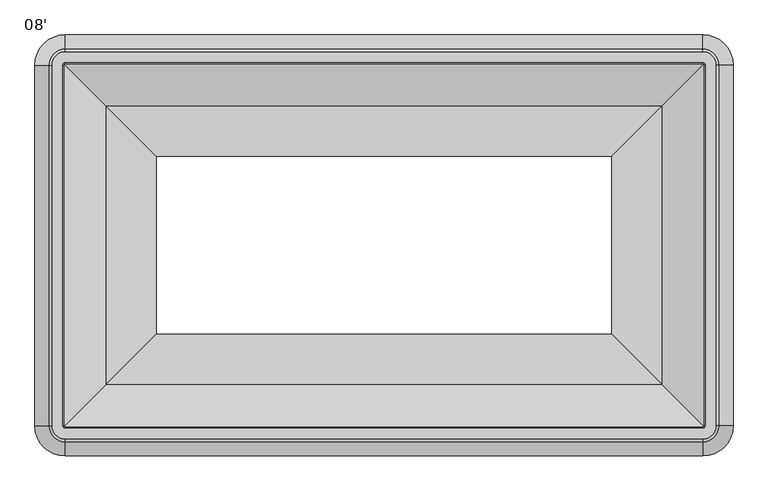
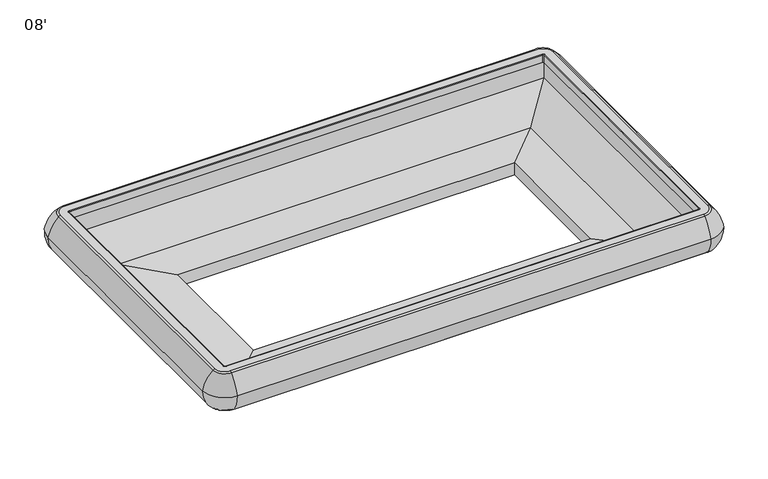
"""IFC4 building model written with IfcOpenShell, lengths in millimetres: proxy geometry, 08'."""

from ifc_helpers import new_model, si_unit, point, frame, origin, place, context, project, spatial, polyline, circle_curve, ellipse_curve, trimmed, faceted_brep, source, transform, mapped, element, save
from ifc_brep_helpers import plane_surface, cylinder_surface, revolved_surface, advanced_brep


def proxy_08_e74ba2d5(model_context):
    return source(origin(), model_context, "Body", "SolidModel", [
        advanced_brep(
        [(128.5372773, -2016.1117293, 594.7340526), (128.5372773, -1984.4852306, 504.5515988), (2554.3377227, -1984.4852306, 504.5515988), (2554.3377227, -2016.1117293, 594.7340526), (128.5372773, -1963.2278603, 687.1369709), (2554.3377227, -1963.2278603, 687.1369709), (128.5372773, -1952.4301981, 691.368246), (2554.3377227, -1952.4301981, 691.368246), (128.5372773, -1906.6873921, 649.6873876), (128.5372773, -1906.6873921, 688.1962924), (2554.3377227, -1906.6873921, 688.1962924), (2554.3377227, -1906.6873921, 649.6873876), (128.5372773, -1946.7201479, 529.929056), (128.5372773, -1946.7201479, 649.6873876), (2554.3377227, -1946.7201479, 649.6873876), (2554.3377227, -1946.7201479, 529.929056), (128.5372773, -1907.4969085, 502.405218), (2554.3377227, -1907.4969085, 502.405218), (128.5372773, -1979.7214149, 502.4019738), (2554.3377227, -1979.7214149, 502.4019738), (2669.0900979, -1901.3593541, 594.7340526), (2637.4635993, -1901.3593541, 504.5515988), (2616.2062289, -1901.3593541, 687.1369709), (2605.4085667, -1901.3593541, 691.368246), (2559.6657608, -1901.3593541, 649.6873876), (2559.6657608, -1901.3593541, 688.1962924), (2599.6985165, -1901.3593541, 529.929056), (2599.6985165, -1901.3593541, 649.6873876), (2560.4752772, -1901.3593541, 502.405218), (2632.6997836, -1901.3593541, 502.4019738), (2637.4635993, -529.6589086, 504.5515988), (2669.0900979, -529.6589086, 594.7340526), (2616.2062289, -529.6589086, 687.1369709), (2605.4085667, -529.6589086, 691.368246), (2559.6657608, -529.6589086, 688.1962924), (2559.6657608, -529.6589086, 649.6873876), (2599.6985165, -529.6589086, 649.6873876), (2599.6985165, -529.6589086, 529.929056), (2560.4752772, -529.6589086, 502.405218), (2632.6997836, -529.6589086, 502.4019738), (2554.3377227, -414.9065334, 594.7340526), (2554.3377227, -446.5330321, 504.5515988), (2554.3377227, -467.7904024, 687.1369709), (2554.3377227, -478.5880646, 691.368246), (2554.3377227, -524.3308706, 649.6873876), (2554.3377227, -524.3308706, 688.1962924), (2554.3377227, -484.2981148, 529.929056), (2554.3377227, -484.2981148, 649.6873876), (2554.3377227, -523.5213542, 502.405218), (2554.3377227, -451.2968477, 502.4019738), (128.5372773, -446.5330321, 504.5515988), (128.5372773, -414.9065334, 594.7340526), (128.5372773, -467.7904024, 687.1369709), (128.5372773, -478.5880646, 691.368246), (128.5372773, -524.3308706, 688.1962924), (128.5372773, -524.3308706, 649.6873876), (128.5372773, -484.2981148, 649.6873876), (128.5372773, -484.2981148, 529.929056), (128.5372773, -523.5213542, 502.405218), (128.5372773, -451.2968477, 502.4019738), (13.7849021, -529.6589086, 594.7340526), (45.4114007, -529.6589086, 504.5515988), (66.6687711, -529.6589086, 687.1369709), (77.4664333, -529.6589086, 691.368246), (123.2092392, -529.6589086, 649.6873876), (123.2092392, -529.6589086, 688.1962924), (83.1764835, -529.6589086, 529.929056), (83.1764835, -529.6589086, 649.6873876), (122.3997228, -529.6589086, 502.405218), (50.1752164, -529.6589086, 502.4019738), (45.4114007, -1901.3593541, 504.5515988), (13.7849021, -1901.3593541, 594.7340526), (66.6687711, -1901.3593541, 687.1369709), (77.4664333, -1901.3593541, 691.368246), (123.2092392, -1901.3593541, 688.1962924), (123.2092392, -1901.3593541, 649.6873876), (83.1764835, -1901.3593541, 649.6873876), (83.1764835, -1901.3593541, 529.929056), (122.3997228, -1901.3593541, 502.405218), (50.1752164, -1901.3593541, 502.4019738), (128.5372773, -1909.8593458, 691.368246), (120.0372856, -1901.3593541, 691.368246), (120.0372856, -529.6589086, 691.368246), (128.5372773, -521.1589169, 691.368246), (2554.3377227, -521.1589169, 691.368246), (2562.8377144, -529.6589086, 691.368246), (2562.8377144, -1901.3593541, 691.368246), (2554.3377227, -1909.8593458, 691.368246)],
        [
            (0, 1, circle_curve(frame((128.5372773, -1889.2571271, 588.5844274), z_axis=(1.0, 0.0, 0.0), x_axis=(0.0, 1.0, 0.0)), 127.0035747)),
            (1, 2),
            (2, 3, circle_curve(frame((2554.3377227, -1889.2571271, 588.5844274), z_axis=(-1.0, 0.0, 0.0), x_axis=(0.0, 1.0, 0.0)), 127.0035747)),
            (3, 0),
            (4, 0, circle_curve(frame((128.5372773, -1842.4146789, 556.6587336), z_axis=(1.0, 0.0, 0.0), x_axis=(0.0, 1.0, 0.0)), 177.8212451)),
            (3, 5, circle_curve(frame((2554.3377227, -1842.4146789, 556.6587336), z_axis=(-1.0, 0.0, 0.0), x_axis=(0.0, 1.0, 0.0)), 177.8212451)),
            (5, 4),
            (6, 4, circle_curve(frame((128.5372773, -1952.4301981, 675.4754956), z_axis=(1.0, 0.0, 0.0), x_axis=(0.0, 1.0, 0.0)), 15.8927504)),
            (5, 7, circle_curve(frame((2554.3377227, -1952.4301981, 675.4754956), z_axis=(-1.0, 0.0, 0.0), x_axis=(0.0, 1.0, 0.0)), 15.8927504)),
            (7, 6),
            (8, 9),
            (9, 10),
            (10, 11),
            (11, 8),
            (12, 13),
            (13, 14),
            (14, 15),
            (15, 12),
            (16, 12),
            (15, 17),
            (17, 16),
            (1, 18, circle_curve(frame((128.5372773, -1979.7214149, 508.7553674), z_axis=(1.0, 0.0, 0.0), x_axis=(0.0, 1.0, 0.0)), 6.3533936)),
            (18, 19),
            (19, 2, circle_curve(frame((2554.3377227, -1979.7214149, 508.7553674), z_axis=(-1.0, 0.0, 0.0), x_axis=(0.0, 1.0, 0.0)), 6.3533936)),
            (20, 3, circle_curve(frame((2554.3377227, -1901.3593541, 594.7340526), z_axis=(0.0, 0.0, -1.0), x_axis=(0.0, -1.0, 0.0)), 114.7523752)),
            (2, 21, circle_curve(frame((2554.3377227, -1901.3593541, 504.5515988), z_axis=(0.0, 0.0, 1.0), x_axis=(0.0, -1.0, 0.0)), 83.1258766)),
            (21, 20, circle_curve(frame((2542.2354958, -1901.3593541, 588.5844274), z_axis=(0.0, -1.0, 0.0), x_axis=(-1.0, 0.0, 0.0)), 127.0035747)),
            (22, 5, circle_curve(frame((2554.3377227, -1901.3593541, 687.1369709), z_axis=(0.0, 0.0, -1.0), x_axis=(0.0, -1.0, 0.0)), 61.8685062)),
            (20, 22, circle_curve(frame((2495.3930476, -1901.3593541, 556.6587336), z_axis=(0.0, -1.0, 0.0), x_axis=(-1.0, 0.0, 0.0)), 177.8212451)),
            (23, 7, circle_curve(frame((2554.3377227, -1901.3593541, 691.368246), z_axis=(0.0, 0.0, -1.0), x_axis=(0.0, -1.0, 0.0)), 51.070844)),
            (22, 23, circle_curve(frame((2605.4085667, -1901.3593541, 675.4754956), z_axis=(0.0, -1.0, 0.0), x_axis=(-1.0, 0.0, 0.0)), 15.8927504)),
            (24, 11, circle_curve(frame((2554.3377227, -1901.3593541, 649.6873876), z_axis=(0.0, 0.0, -1.0), x_axis=(0.0, -1.0, 0.0)), 5.3280381)),
            (10, 25, circle_curve(frame((2554.3377227, -1901.3593541, 688.1962924), z_axis=(0.0, 0.0, 1.0), x_axis=(0.0, -1.0, 0.0)), 5.3280381)),
            (25, 24),
            (26, 15, circle_curve(frame((2554.3377227, -1901.3593541, 529.929056), z_axis=(0.0, 0.0, -1.0), x_axis=(0.0, -1.0, 0.0)), 45.3607938)),
            (14, 27, circle_curve(frame((2554.3377227, -1901.3593541, 649.6873876), z_axis=(0.0, 0.0, 1.0), x_axis=(0.0, -1.0, 0.0)), 45.3607938)),
            (27, 26),
            (28, 17, circle_curve(frame((2554.3377227, -1901.3593541, 502.405218), z_axis=(0.0, 0.0, -1.0), x_axis=(0.0, -1.0, 0.0)), 6.1375545)),
            (26, 28),
            (19, 29, circle_curve(frame((2554.3377227, -1901.3593541, 502.4019738), z_axis=(0.0, 0.0, 1.0), x_axis=(0.0, -1.0, 0.0)), 78.3620609)),
            (29, 21, circle_curve(frame((2632.6997836, -1901.3593541, 508.7553674), z_axis=(0.0, -1.0, 0.0), x_axis=(-1.0, 0.0, 0.0)), 6.3533936)),
            (21, 30),
            (30, 31, circle_curve(frame((2542.2354958, -529.6589086, 588.5844274), z_axis=(0.0, -1.0, 0.0), x_axis=(-1.0, 0.0, 0.0)), 127.0035747)),
            (31, 20),
            (31, 32, circle_curve(frame((2495.3930476, -529.6589086, 556.6587336), z_axis=(0.0, -1.0, 0.0), x_axis=(-1.0, 0.0, 0.0)), 177.8212451)),
            (32, 22),
            (32, 33, circle_curve(frame((2605.4085667, -529.6589086, 675.4754956), z_axis=(0.0, -1.0, 0.0), x_axis=(-1.0, 0.0, 0.0)), 15.8927504)),
            (33, 23),
            (25, 34),
            (34, 35),
            (35, 24),
            (27, 36),
            (36, 37),
            (37, 26),
            (37, 38),
            (38, 28),
            (29, 39),
            (39, 30, circle_curve(frame((2632.6997836, -529.6589086, 508.7553674), z_axis=(0.0, -1.0, 0.0), x_axis=(-1.0, 0.0, 0.0)), 6.3533936)),
            (40, 31, circle_curve(frame((2554.3377227, -529.6589086, 594.7340526), z_axis=(0.0, 0.0, -1.0), x_axis=(1.0, 0.0, 0.0)), 114.7523752)),
            (30, 41, circle_curve(frame((2554.3377227, -529.6589086, 504.5515988), z_axis=(0.0, 0.0, 1.0), x_axis=(1.0, 0.0, 0.0)), 83.1258766)),
            (41, 40, circle_curve(frame((2554.3377227, -541.7611356, 588.5844274), z_axis=(1.0, 0.0, 0.0), x_axis=(0.0, -1.0, 0.0)), 127.0035747)),
            (42, 32, circle_curve(frame((2554.3377227, -529.6589086, 687.1369709), z_axis=(0.0, 0.0, -1.0), x_axis=(1.0, 0.0, 0.0)), 61.8685062)),
            (40, 42, circle_curve(frame((2554.3377227, -588.6035838, 556.6587336), z_axis=(1.0, 0.0, 0.0), x_axis=(0.0, -1.0, 0.0)), 177.8212451)),
            (43, 33, circle_curve(frame((2554.3377227, -529.6589086, 691.368246), z_axis=(0.0, 0.0, -1.0), x_axis=(1.0, 0.0, 0.0)), 51.070844)),
            (42, 43, circle_curve(frame((2554.3377227, -478.5880646, 675.4754956), z_axis=(1.0, 0.0, 0.0), x_axis=(0.0, -1.0, 0.0)), 15.8927504)),
            (44, 35, circle_curve(frame((2554.3377227, -529.6589086, 649.6873876), z_axis=(0.0, 0.0, -1.0), x_axis=(1.0, 0.0, 0.0)), 5.3280381)),
            (34, 45, circle_curve(frame((2554.3377227, -529.6589086, 688.1962924), z_axis=(0.0, 0.0, 1.0), x_axis=(1.0, 0.0, 0.0)), 5.3280381)),
            (45, 44),
            (46, 37, circle_curve(frame((2554.3377227, -529.6589086, 529.929056), z_axis=(0.0, 0.0, -1.0), x_axis=(1.0, 0.0, 0.0)), 45.3607938)),
            (36, 47, circle_curve(frame((2554.3377227, -529.6589086, 649.6873876), z_axis=(0.0, 0.0, 1.0), x_axis=(1.0, 0.0, 0.0)), 45.3607938)),
            (47, 46),
            (48, 38, circle_curve(frame((2554.3377227, -529.6589086, 502.405218), z_axis=(0.0, 0.0, -1.0), x_axis=(1.0, 0.0, 0.0)), 6.1375545)),
            (46, 48),
            (39, 49, circle_curve(frame((2554.3377227, -529.6589086, 502.4019738), z_axis=(0.0, 0.0, 1.0), x_axis=(1.0, 0.0, 0.0)), 78.3620609)),
            (49, 41, circle_curve(frame((2554.3377227, -451.2968477, 508.7553674), z_axis=(1.0, 0.0, 0.0), x_axis=(0.0, -1.0, 0.0)), 6.3533936)),
            (41, 50),
            (50, 51, circle_curve(frame((128.5372773, -541.7611356, 588.5844274), z_axis=(1.0, 0.0, 0.0), x_axis=(0.0, -1.0, 0.0)), 127.0035747)),
            (51, 40),
            (51, 52, circle_curve(frame((128.5372773, -588.6035838, 556.6587336), z_axis=(1.0, 0.0, 0.0), x_axis=(0.0, -1.0, 0.0)), 177.8212451)),
            (52, 42),
            (52, 53, circle_curve(frame((128.5372773, -478.5880646, 675.4754956), z_axis=(1.0, 0.0, 0.0), x_axis=(0.0, -1.0, 0.0)), 15.8927504)),
            (53, 43),
            (45, 54),
            (54, 55),
            (55, 44),
            (47, 56),
            (56, 57),
            (57, 46),
            (57, 58),
            (58, 48),
            (49, 59),
            (59, 50, circle_curve(frame((128.5372773, -451.2968477, 508.7553674), z_axis=(1.0, 0.0, 0.0), x_axis=(0.0, -1.0, 0.0)), 6.3533936)),
            (60, 51, circle_curve(frame((128.5372773, -529.6589086, 594.7340526), z_axis=(0.0, 0.0, -1.0), x_axis=(0.0, 1.0, 0.0)), 114.7523752)),
            (50, 61, circle_curve(frame((128.5372773, -529.6589086, 504.5515988), z_axis=(0.0, 0.0, 1.0), x_axis=(0.0, 1.0, 0.0)), 83.1258766)),
            (61, 60, circle_curve(frame((140.6395042, -529.6589086, 588.5844274), z_axis=(0.0, 1.0, 0.0), x_axis=(1.0, 0.0, 0.0)), 127.0035747)),
            (62, 52, circle_curve(frame((128.5372773, -529.6589086, 687.1369709), z_axis=(0.0, 0.0, -1.0), x_axis=(0.0, 1.0, 0.0)), 61.8685062)),
            (60, 62, circle_curve(frame((187.4819524, -529.6589086, 556.6587336), z_axis=(0.0, 1.0, 0.0), x_axis=(1.0, 0.0, 0.0)), 177.8212451)),
            (63, 53, circle_curve(frame((128.5372773, -529.6589086, 691.368246), z_axis=(0.0, 0.0, -1.0), x_axis=(0.0, 1.0, 0.0)), 51.070844)),
            (62, 63, circle_curve(frame((77.4664333, -529.6589086, 675.4754956), z_axis=(0.0, 1.0, 0.0), x_axis=(1.0, 0.0, 0.0)), 15.8927504)),
            (64, 55, circle_curve(frame((128.5372773, -529.6589086, 649.6873876), z_axis=(0.0, 0.0, -1.0), x_axis=(0.0, 1.0, 0.0)), 5.3280381)),
            (54, 65, circle_curve(frame((128.5372773, -529.6589086, 688.1962924), z_axis=(0.0, 0.0, 1.0), x_axis=(0.0, 1.0, 0.0)), 5.3280381)),
            (65, 64),
            (66, 57, circle_curve(frame((128.5372773, -529.6589086, 529.929056), z_axis=(0.0, 0.0, -1.0), x_axis=(0.0, 1.0, 0.0)), 45.3607938)),
            (56, 67, circle_curve(frame((128.5372773, -529.6589086, 649.6873876), z_axis=(0.0, 0.0, 1.0), x_axis=(0.0, 1.0, 0.0)), 45.3607938)),
            (67, 66),
            (68, 58, circle_curve(frame((128.5372773, -529.6589086, 502.405218), z_axis=(0.0, 0.0, -1.0), x_axis=(0.0, 1.0, 0.0)), 6.1375545)),
            (66, 68),
            (59, 69, circle_curve(frame((128.5372773, -529.6589086, 502.4019738), z_axis=(0.0, 0.0, 1.0), x_axis=(0.0, 1.0, 0.0)), 78.3620609)),
            (69, 61, circle_curve(frame((50.1752164, -529.6589086, 508.7553674), z_axis=(0.0, 1.0, 0.0), x_axis=(1.0, 0.0, 0.0)), 6.3533936)),
            (61, 70),
            (70, 71, circle_curve(frame((140.6395042, -1901.3593541, 588.5844274), z_axis=(0.0, 1.0, 0.0), x_axis=(1.0, 0.0, 0.0)), 127.0035747)),
            (71, 60),
            (71, 72, circle_curve(frame((187.4819524, -1901.3593541, 556.6587336), z_axis=(0.0, 1.0, 0.0), x_axis=(1.0, 0.0, 0.0)), 177.8212451)),
            (72, 62),
            (72, 73, circle_curve(frame((77.4664333, -1901.3593541, 675.4754956), z_axis=(0.0, 1.0, 0.0), x_axis=(1.0, 0.0, 0.0)), 15.8927504)),
            (73, 63),
            (65, 74),
            (74, 75),
            (75, 64),
            (67, 76),
            (76, 77),
            (77, 66),
            (77, 78),
            (78, 68),
            (69, 79),
            (79, 70, circle_curve(frame((50.1752164, -1901.3593541, 508.7553674), z_axis=(0.0, 1.0, 0.0), x_axis=(1.0, 0.0, 0.0)), 6.3533936)),
            (0, 71, circle_curve(frame((128.5372773, -1901.3593541, 594.7340526), z_axis=(0.0, 0.0, -1.0), x_axis=(-1.0, 0.0, 0.0)), 114.7523752)),
            (70, 1, circle_curve(frame((128.5372773, -1901.3593541, 504.5515988), z_axis=(0.0, 0.0, 1.0), x_axis=(-1.0, 0.0, 0.0)), 83.1258766)),
            (4, 72, circle_curve(frame((128.5372773, -1901.3593541, 687.1369709), z_axis=(0.0, 0.0, -1.0), x_axis=(-1.0, 0.0, 0.0)), 61.8685062)),
            (6, 73, circle_curve(frame((128.5372773, -1901.3593541, 691.368246), z_axis=(0.0, 0.0, -1.0), x_axis=(-1.0, 0.0, 0.0)), 51.070844)),
            (80, 81, circle_curve(frame((128.5372773, -1901.3593541, 691.368246), z_axis=(0.0, 0.0, -1.0), x_axis=(-1.0, 0.0, 0.0)), 8.4999917)),
            (81, 82),
            (82, 83, circle_curve(frame((128.5372773, -529.6589086, 691.368246), z_axis=(0.0, 0.0, -1.0), x_axis=(0.0, 1.0, 0.0)), 8.4999917)),
            (83, 84),
            (84, 85, circle_curve(frame((2554.3377227, -529.6589086, 691.368246), z_axis=(0.0, 0.0, -1.0), x_axis=(1.0, 0.0, 0.0)), 8.4999917)),
            (85, 86),
            (86, 87, circle_curve(frame((2554.3377227, -1901.3593541, 691.368246), z_axis=(0.0, 0.0, -1.0), x_axis=(0.0, -1.0, 0.0)), 8.4999917)),
            (87, 80),
            (8, 75, circle_curve(frame((128.5372773, -1901.3593541, 649.6873876), z_axis=(0.0, 0.0, -1.0), x_axis=(-1.0, 0.0, 0.0)), 5.3280381)),
            (74, 9, circle_curve(frame((128.5372773, -1901.3593541, 688.1962924), z_axis=(0.0, 0.0, 1.0), x_axis=(-1.0, 0.0, 0.0)), 5.3280381)),
            (13, 76, circle_curve(frame((128.5372773, -1901.3593541, 649.6873876), z_axis=(0.0, 0.0, -1.0), x_axis=(-1.0, 0.0, 0.0)), 45.3607938)),
            (12, 77, circle_curve(frame((128.5372773, -1901.3593541, 529.929056), z_axis=(0.0, 0.0, -1.0), x_axis=(-1.0, 0.0, 0.0)), 45.3607938)),
            (16, 78, circle_curve(frame((128.5372773, -1901.3593541, 502.405218), z_axis=(0.0, 0.0, -1.0), x_axis=(-1.0, 0.0, 0.0)), 6.1375545)),
            (18, 79, circle_curve(frame((128.5372773, -1901.3593541, 502.405218), z_axis=(0.0, 0.0, -1.0), x_axis=(-1.0, 0.0, 0.0)), 78.3620609)),
            (10, 87, circle_curve(frame((2554.3377227, -1909.8593458, 688.1962924), z_axis=(1.0, 0.0, 0.0), x_axis=(0.0, 1.0, 0.0)), 3.1719536)),
            (86, 25, circle_curve(frame((2562.8377144, -1901.3593541, 688.1962924), z_axis=(0.0, -1.0, 0.0), x_axis=(-1.0, 0.0, 0.0)), 3.1719536)),
            (85, 34, circle_curve(frame((2562.8377144, -529.6589086, 688.1962924), z_axis=(0.0, -1.0, 0.0), x_axis=(-1.0, 0.0, 0.0)), 3.1719536)),
            (84, 45, circle_curve(frame((2554.3377227, -521.1589169, 688.1962924), z_axis=(1.0, 0.0, 0.0), x_axis=(0.0, -1.0, 0.0)), 3.1719536)),
            (83, 54, circle_curve(frame((128.5372773, -521.1589169, 688.1962924), z_axis=(1.0, 0.0, 0.0), x_axis=(0.0, -1.0, 0.0)), 3.1719536)),
            (82, 65, circle_curve(frame((120.0372856, -529.6589086, 688.1962924), z_axis=(0.0, 1.0, 0.0), x_axis=(1.0, 0.0, 0.0)), 3.1719536)),
            (81, 74, circle_curve(frame((120.0372856, -1901.3593541, 688.1962924), z_axis=(0.0, 1.0, 0.0), x_axis=(1.0, 0.0, 0.0)), 3.1719536)),
            (80, 9, circle_curve(frame((128.5372773, -1909.8593458, 688.1962924), z_axis=(-1.0, 0.0, 0.0), x_axis=(0.0, 1.0, 0.0)), 3.1719536)),
        ],
        [
            cylinder_surface(frame((128.5372773, -1889.2571271, 588.5844274), z_axis=(-1.0, 0.0, 0.0), x_axis=(0.0, 1.0, 0.0)), 127.0035747),
            cylinder_surface(frame((128.5372773, -1842.4146789, 556.6587336), z_axis=(-1.0, 0.0, 0.0), x_axis=(0.0, 1.0, 0.0)), 177.8212451),
            cylinder_surface(frame((128.5372773, -1952.4301981, 675.4754956), z_axis=(-1.0, 0.0, 0.0), x_axis=(0.0, 1.0, 0.0)), 15.8927504),
            plane_surface(frame((128.5372773, -1906.6873921, 688.1962924), z_axis=(0.0, 1.0, 0.0), x_axis=(1.0, 0.0, 0.0))),
            plane_surface(frame((128.5372773, -1946.7201479, 649.6873876), z_axis=(0.0, 1.0, 0.0), x_axis=(1.0, 0.0, 0.0))),
            plane_surface(frame((128.5372773, -1946.7201479, 529.929056), z_axis=(0.0, 0.5744083781667253, 0.8185688823134388), x_axis=(1.0, 0.0, 0.0))),
            cylinder_surface(frame((128.5372773, -1979.7214149, 508.7553674), z_axis=(-1.0, 0.0, 0.0), x_axis=(0.0, 1.0, 0.0)), 6.3533936),
            revolved_surface(trimmed(ellipse_curve(frame((2554.3377227, -1889.2571271, 588.5844274), z_axis=(-1.0, 0.0, 0.0), x_axis=(0.0, 1.0, 0.0)), 127.0035747, 127.0035747), [point((2554.3377227, -1984.4852306, 504.5515988))], [point((2554.3377227, -2016.1117293, 594.7340526))], True, "CARTESIAN"), (2554.3377227, -1901.3593541, 0.0), (0.0, 0.0, 1.0)),
            revolved_surface(trimmed(ellipse_curve(frame((2554.3377227, -1842.4146789, 556.6587336), z_axis=(-1.0, 0.0, 0.0), x_axis=(0.0, 1.0, 0.0)), 177.8212451, 177.8212451), [point((2554.3377227, -2016.1117293, 594.7340526))], [point((2554.3377227, -1963.2278603, 687.1369709))], True, "CARTESIAN"), (2554.3377227, -1901.3593541, 0.0), (0.0, 0.0, 1.0)),
            revolved_surface(trimmed(ellipse_curve(frame((2554.3377227, -1952.4301981, 675.4754956), z_axis=(-1.0, 0.0, 0.0), x_axis=(0.0, 1.0, 0.0)), 15.8927504, 15.8927504), [point((2554.3377227, -1963.2278603, 687.1369709))], [point((2554.3377227, -1952.4301981, 691.368246))], True, "CARTESIAN"), (2554.3377227, -1901.3593541, 0.0), (0.0, 0.0, 1.0)),
            revolved_surface(polyline([(2554.3377227, -1906.6873922, 688.1962924), (2554.3377227, -1906.6873922, 649.6873876)]), (2554.3377227, -1901.3593541, 0.0), (0.0, 0.0, 1.0)),
            revolved_surface(polyline([(2554.3377227, -1946.7201479, 649.6873876), (2554.3377227, -1946.7201479, 529.929056)]), (2554.3377227, -1901.3593541, 0.0), (0.0, 0.0, 1.0)),
            revolved_surface(polyline([(2554.3377227, -1946.7201479, 529.929056), (2554.3377227, -1907.4969085, 502.405218)]), (2554.3377227, -1901.3593541, 0.0), (0.0, 0.0, 1.0)),
            revolved_surface(trimmed(ellipse_curve(frame((2554.3377227, -1979.7214149, 508.7553674), z_axis=(-1.0, 0.0, 0.0), x_axis=(0.0, 1.0, 0.0)), 6.3533936, 6.3533936), [point((2554.3377227, -1979.7214149, 502.4019738))], [point((2554.3377227, -1984.4852306, 504.5515988))], True, "CARTESIAN"), (2554.3377227, -1901.3593541, 0.0), (0.0, 0.0, 1.0)),
            cylinder_surface(frame((2542.2354958, -1901.3593541, 588.5844274), z_axis=(0.0, -1.0, 0.0), x_axis=(-1.0, 0.0, 0.0)), 127.0035747),
            cylinder_surface(frame((2495.3930476, -1901.3593541, 556.6587336), z_axis=(0.0, -1.0, 0.0), x_axis=(-1.0, 0.0, 0.0)), 177.8212451),
            cylinder_surface(frame((2605.4085667, -1901.3593541, 675.4754956), z_axis=(0.0, -1.0, 0.0), x_axis=(-1.0, 0.0, 0.0)), 15.8927504),
            plane_surface(frame((2559.6657608, -1901.3593541, 688.1962924), z_axis=(-1.0, 0.0, 0.0), x_axis=(0.0, 1.0, 0.0))),
            plane_surface(frame((2599.6985165, -1901.3593541, 649.6873876), z_axis=(-1.0, 0.0, 0.0), x_axis=(0.0, 1.0, 0.0))),
            plane_surface(frame((2599.6985165, -1901.3593541, 529.929056), z_axis=(-0.5744083781667253, 0.0, 0.8185688823134388), x_axis=(0.0, 1.0, 0.0))),
            cylinder_surface(frame((2632.6997836, -1901.3593541, 508.7553674), z_axis=(0.0, -1.0, 0.0), x_axis=(-1.0, 0.0, 0.0)), 6.3533936),
            revolved_surface(trimmed(ellipse_curve(frame((2542.2354958, -529.6589086, 588.5844274), z_axis=(0.0, -1.0, 0.0), x_axis=(-1.0, 0.0, 0.0)), 127.0035747, 127.0035747), [point((2637.4635993, -529.6589086, 504.5515988))], [point((2669.0900979, -529.6589086, 594.7340526))], True, "CARTESIAN"), (2554.3377227, -529.6589086, 0.0), (0.0, 0.0, 1.0)),
            revolved_surface(trimmed(ellipse_curve(frame((2495.3930476, -529.6589086, 556.6587336), z_axis=(0.0, -1.0, 0.0), x_axis=(-1.0, 0.0, 0.0)), 177.8212451, 177.8212451), [point((2669.0900979, -529.6589086, 594.7340526))], [point((2616.2062289, -529.6589086, 687.1369709))], True, "CARTESIAN"), (2554.3377227, -529.6589086, 0.0), (0.0, 0.0, 1.0)),
            revolved_surface(trimmed(ellipse_curve(frame((2605.4085667, -529.6589086, 675.4754956), z_axis=(0.0, -1.0, 0.0), x_axis=(-1.0, 0.0, 0.0)), 15.8927504, 15.8927504), [point((2616.2062289, -529.6589086, 687.1369709))], [point((2605.4085667, -529.6589086, 691.368246))], True, "CARTESIAN"), (2554.3377227, -529.6589086, 0.0), (0.0, 0.0, 1.0)),
            revolved_surface(polyline([(2559.6657608, -529.6589086, 688.1962924), (2559.6657608, -529.6589086, 649.6873876)]), (2554.3377227, -529.6589086, 0.0), (0.0, 0.0, 1.0)),
            revolved_surface(polyline([(2599.6985165, -529.6589086, 649.6873876), (2599.6985165, -529.6589086, 529.929056)]), (2554.3377227, -529.6589086, 0.0), (0.0, 0.0, 1.0)),
            revolved_surface(polyline([(2599.6985165, -529.6589086, 529.929056), (2560.4752772, -529.6589086, 502.405218)]), (2554.3377227, -529.6589086, 0.0), (0.0, 0.0, 1.0)),
            revolved_surface(trimmed(ellipse_curve(frame((2632.6997836, -529.6589086, 508.7553674), z_axis=(0.0, -1.0, 0.0), x_axis=(-1.0, 0.0, 0.0)), 6.3533936, 6.3533936), [point((2632.6997836, -529.6589086, 502.4019738))], [point((2637.4635993, -529.6589086, 504.5515988))], True, "CARTESIAN"), (2554.3377227, -529.6589086, 0.0), (0.0, 0.0, 1.0)),
            cylinder_surface(frame((2554.3377227, -541.7611356, 588.5844274), z_axis=(1.0, 0.0, 0.0), x_axis=(0.0, -1.0, 0.0)), 127.0035747),
            cylinder_surface(frame((2554.3377227, -588.6035838, 556.6587336), z_axis=(1.0, 0.0, 0.0), x_axis=(0.0, -1.0, 0.0)), 177.8212451),
            cylinder_surface(frame((2554.3377227, -478.5880646, 675.4754956), z_axis=(1.0, 0.0, 0.0), x_axis=(0.0, -1.0, 0.0)), 15.8927504),
            plane_surface(frame((2554.3377227, -524.3308706, 688.1962924), z_axis=(0.0, -1.0, 0.0), x_axis=(-1.0, 0.0, 0.0))),
            plane_surface(frame((2554.3377227, -484.2981148, 649.6873876), z_axis=(0.0, -1.0, 0.0), x_axis=(-1.0, 0.0, 0.0))),
            plane_surface(frame((2554.3377227, -484.2981148, 529.929056), z_axis=(0.0, -0.5744083781667253, 0.8185688823134388), x_axis=(-1.0, 0.0, 0.0))),
            cylinder_surface(frame((2554.3377227, -451.2968477, 508.7553674), z_axis=(1.0, 0.0, 0.0), x_axis=(0.0, -1.0, 0.0)), 6.3533936),
            revolved_surface(trimmed(ellipse_curve(frame((128.5372773, -541.7611356, 588.5844274), z_axis=(1.0, 0.0, 0.0), x_axis=(0.0, -1.0, 0.0)), 127.0035747, 127.0035747), [point((128.5372773, -446.5330321, 504.5515988))], [point((128.5372773, -414.9065334, 594.7340526))], True, "CARTESIAN"), (128.5372773, -529.6589086, 0.0), (0.0, 0.0, 1.0)),
            revolved_surface(trimmed(ellipse_curve(frame((128.5372773, -588.6035838, 556.6587336), z_axis=(1.0, 0.0, 0.0), x_axis=(0.0, -1.0, 0.0)), 177.8212451, 177.8212451), [point((128.5372773, -414.9065334, 594.7340526))], [point((128.5372773, -467.7904024, 687.1369709))], True, "CARTESIAN"), (128.5372773, -529.6589086, 0.0), (0.0, 0.0, 1.0)),
            revolved_surface(trimmed(ellipse_curve(frame((128.5372773, -478.5880646, 675.4754956), z_axis=(1.0, 0.0, 0.0), x_axis=(0.0, -1.0, 0.0)), 15.8927504, 15.8927504), [point((128.5372773, -467.7904024, 687.1369709))], [point((128.5372773, -478.5880646, 691.368246))], True, "CARTESIAN"), (128.5372773, -529.6589086, 0.0), (0.0, 0.0, 1.0)),
            revolved_surface(polyline([(128.5372773, -524.3308705000001, 688.1962924), (128.5372773, -524.3308705000001, 649.6873876)]), (128.5372773, -529.6589086, 0.0), (0.0, 0.0, 1.0)),
            revolved_surface(polyline([(128.5372773, -484.2981148, 649.6873876), (128.5372773, -484.2981148, 529.929056)]), (128.5372773, -529.6589086, 0.0), (0.0, 0.0, 1.0)),
            revolved_surface(polyline([(128.5372773, -484.2981148, 529.929056), (128.5372773, -523.5213542, 502.405218)]), (128.5372773, -529.6589086, 0.0), (0.0, 0.0, 1.0)),
            revolved_surface(trimmed(ellipse_curve(frame((128.5372773, -451.2968477, 508.7553674), z_axis=(1.0, 0.0, 0.0), x_axis=(0.0, -1.0, 0.0)), 6.3533936, 6.3533936), [point((128.5372773, -451.2968477, 502.4019738))], [point((128.5372773, -446.5330321, 504.5515988))], True, "CARTESIAN"), (128.5372773, -529.6589086, 0.0), (0.0, 0.0, 1.0)),
            cylinder_surface(frame((140.6395042, -529.6589086, 588.5844274), z_axis=(0.0, 1.0, 0.0), x_axis=(1.0, 0.0, 0.0)), 127.0035747),
            cylinder_surface(frame((187.4819524, -529.6589086, 556.6587336), z_axis=(0.0, 1.0, 0.0), x_axis=(1.0, 0.0, 0.0)), 177.8212451),
            cylinder_surface(frame((77.4664333, -529.6589086, 675.4754956), z_axis=(0.0, 1.0, 0.0), x_axis=(1.0, 0.0, 0.0)), 15.8927504),
            plane_surface(frame((123.2092392, -529.6589086, 688.1962924), z_axis=(1.0, 0.0, 0.0), x_axis=(0.0, -1.0, 0.0))),
            plane_surface(frame((83.1764835, -529.6589086, 649.6873876), z_axis=(1.0, 0.0, 0.0), x_axis=(0.0, -1.0, 0.0))),
            plane_surface(frame((83.1764835, -529.6589086, 529.929056), z_axis=(0.5744083781667253, 0.0, 0.8185688823134388), x_axis=(0.0, -1.0, 0.0))),
            cylinder_surface(frame((50.1752164, -529.6589086, 508.7553674), z_axis=(0.0, 1.0, 0.0), x_axis=(1.0, 0.0, 0.0)), 6.3533936),
            revolved_surface(trimmed(ellipse_curve(frame((140.6395042, -1901.3593541, 588.5844274), z_axis=(0.0, 1.0, 0.0), x_axis=(1.0, 0.0, 0.0)), 127.0035747, 127.0035747), [point((45.4114007, -1901.3593541, 504.5515988))], [point((13.7849021, -1901.3593541, 594.7340526))], True, "CARTESIAN"), (128.5372773, -1901.3593541, 0.0), (0.0, 0.0, 1.0)),
            revolved_surface(trimmed(ellipse_curve(frame((187.4819524, -1901.3593541, 556.6587336), z_axis=(0.0, 1.0, 0.0), x_axis=(1.0, 0.0, 0.0)), 177.8212451, 177.8212451), [point((13.7849021, -1901.3593541, 594.7340526))], [point((66.6687711, -1901.3593541, 687.1369709))], True, "CARTESIAN"), (128.5372773, -1901.3593541, 0.0), (0.0, 0.0, 1.0)),
            revolved_surface(trimmed(ellipse_curve(frame((77.4664333, -1901.3593541, 675.4754956), z_axis=(0.0, 1.0, 0.0), x_axis=(1.0, 0.0, 0.0)), 15.8927504, 15.8927504), [point((66.6687711, -1901.3593541, 687.1369709))], [point((77.4664333, -1901.3593541, 691.368246))], True, "CARTESIAN"), (128.5372773, -1901.3593541, 0.0), (0.0, 0.0, 1.0)),
            plane_surface(frame((128.5372773, -1901.3593541, 691.368246), z_axis=(0.0, 0.0, 1.0), x_axis=(-1.0, 0.0, 0.0))),
            revolved_surface(polyline([(123.2092392, -1901.3593541, 688.1962924), (123.2092392, -1901.3593541, 649.6873876)]), (128.5372773, -1901.3593541, 0.0), (0.0, 0.0, 1.0)),
            plane_surface(frame((128.5372773, -1901.3593541, 649.6873876), z_axis=(0.0, 0.0, -1.0), x_axis=(-1.0, 0.0, 0.0))),
            revolved_surface(polyline([(83.17648349999999, -1901.3593541, 649.6873876), (83.17648349999999, -1901.3593541, 529.929056)]), (128.5372773, -1901.3593541, 0.0), (0.0, 0.0, 1.0)),
            revolved_surface(polyline([(83.1764835, -1901.3593541, 529.929056), (122.3997228, -1901.3593541, 502.405218)]), (128.5372773, -1901.3593541, 0.0), (0.0, 0.0, 1.0)),
            plane_surface(frame((128.5372773, -1901.3593541, 502.405218), z_axis=(0.0, 0.0, -1.0), x_axis=(-1.0, 0.0, 0.0))),
            revolved_surface(trimmed(ellipse_curve(frame((50.1752164, -1901.3593541, 508.7553674), z_axis=(0.0, 1.0, 0.0), x_axis=(1.0, 0.0, 0.0)), 6.3533936, 6.3533936), [point((50.1752164, -1901.3593541, 502.4019738))], [point((45.4114007, -1901.3593541, 504.5515988))], True, "CARTESIAN"), (128.5372773, -1901.3593541, 0.0), (0.0, 0.0, 1.0)),
            revolved_surface(trimmed(ellipse_curve(frame((2554.3377227, -1909.8593458, 688.1962924), z_axis=(-1.0, 0.0, 0.0), x_axis=(0.0, 1.0, 0.0)), 3.1719536, 3.1719536), [point((2554.3377227, -1909.8593458, 691.368246))], [point((2554.3377227, -1906.6873921, 688.1962924))], True, "CARTESIAN"), (2554.3377227, -1901.3593541, 0.0), (0.0, 0.0, 1.0)),
            cylinder_surface(frame((2562.8377144, -1901.3593541, 688.1962924), z_axis=(0.0, -1.0, 0.0), x_axis=(-1.0, 0.0, 0.0)), 3.1719536),
            revolved_surface(trimmed(ellipse_curve(frame((2562.8377144, -529.6589086, 688.1962924), z_axis=(0.0, -1.0, 0.0), x_axis=(-1.0, 0.0, 0.0)), 3.1719536, 3.1719536), [point((2562.8377144, -529.6589086, 691.368246))], [point((2559.6657608, -529.6589086, 688.1962924))], True, "CARTESIAN"), (2554.3377227, -529.6589086, 0.0), (0.0, 0.0, 1.0)),
            cylinder_surface(frame((2554.3377227, -521.1589169, 688.1962924), z_axis=(1.0, 0.0, 0.0), x_axis=(0.0, -1.0, 0.0)), 3.1719536),
            revolved_surface(trimmed(ellipse_curve(frame((128.5372773, -521.1589169, 688.1962924), z_axis=(1.0, 0.0, 0.0), x_axis=(0.0, -1.0, 0.0)), 3.1719536, 3.1719536), [point((128.5372773, -521.1589169, 691.368246))], [point((128.5372773, -524.3308706, 688.1962924))], True, "CARTESIAN"), (128.5372773, -529.6589086, 0.0), (0.0, 0.0, 1.0)),
            cylinder_surface(frame((120.0372856, -529.6589086, 688.1962924), z_axis=(0.0, 1.0, 0.0), x_axis=(1.0, 0.0, 0.0)), 3.1719536),
            revolved_surface(trimmed(ellipse_curve(frame((120.0372856, -1901.3593541, 688.1962924), z_axis=(0.0, 1.0, 0.0), x_axis=(1.0, 0.0, 0.0)), 3.1719536, 3.1719536), [point((120.0372856, -1901.3593541, 691.368246))], [point((123.2092392, -1901.3593541, 688.1962924))], True, "CARTESIAN"), (128.5372773, -1901.3593541, 0.0), (0.0, 0.0, 1.0)),
            cylinder_surface(frame((128.5372773, -1909.8593458, 688.1962924), z_axis=(-1.0, 0.0, 0.0), x_axis=(0.0, 1.0, 0.0)), 3.1719536),
        ],
        [
            (0, [[1, 2, 3, 4]]),
            (1, [[5, -4, 6, 7]]),
            (2, [[8, -7, 9, 10]]),
            (3, [[11, 12, 13, 14]]),
            (4, [[15, 16, 17, 18]]),
            (5, [[19, -18, 20, 21]]),
            (6, [[22, 23, 24, -2]]),
            (7, [[25, -3, 26, 27]]),
            (8, [[28, -6, -25, 29]]),
            (9, [[30, -9, -28, 31]]),
            (10, [[32, -13, 33, 34]]),
            (11, [[35, -17, 36, 37]]),
            (12, [[38, -20, -35, 39]]),
            (13, [[-26, -24, 40, 41]]),
            (14, [[-27, 42, 43, 44]]),
            (15, [[-29, -44, 45, 46]]),
            (16, [[-31, -46, 47, 48]]),
            (17, [[-34, 49, 50, 51]]),
            (18, [[-37, 52, 53, 54]]),
            (19, [[-39, -54, 55, 56]]),
            (20, [[-41, 57, 58, -42]]),
            (21, [[59, -43, 60, 61]]),
            (22, [[62, -45, -59, 63]]),
            (23, [[64, -47, -62, 65]]),
            (24, [[66, -50, 67, 68]]),
            (25, [[69, -53, 70, 71]]),
            (26, [[72, -55, -69, 73]]),
            (27, [[-60, -58, 74, 75]]),
            (28, [[-61, 76, 77, 78]]),
            (29, [[-63, -78, 79, 80]]),
            (30, [[-65, -80, 81, 82]]),
            (31, [[-68, 83, 84, 85]]),
            (32, [[-71, 86, 87, 88]]),
            (33, [[-73, -88, 89, 90]]),
            (34, [[-75, 91, 92, -76]]),
            (35, [[93, -77, 94, 95]]),
            (36, [[96, -79, -93, 97]]),
            (37, [[98, -81, -96, 99]]),
            (38, [[100, -84, 101, 102]]),
            (39, [[103, -87, 104, 105]]),
            (40, [[106, -89, -103, 107]]),
            (41, [[-94, -92, 108, 109]]),
            (42, [[-95, 110, 111, 112]]),
            (43, [[-97, -112, 113, 114]]),
            (44, [[-99, -114, 115, 116]]),
            (45, [[-102, 117, 118, 119]]),
            (46, [[-105, 120, 121, 122]]),
            (47, [[-107, -122, 123, 124]]),
            (48, [[-109, 125, 126, -110]]),
            (49, [[127, -111, 128, -1]]),
            (50, [[129, -113, -127, -5]]),
            (51, [[130, -115, -129, -8]]),
            (52, [[-98, -116, -130, -10, -30, -48, -64, -82], [131, 132, 133, 134, 135, 136, 137, 138]]),
            (53, [[139, -118, 140, -11]]),
            (54, [[141, -120, -104, -86, -70, -52, -36, -16], [-100, -119, -139, -14, -32, -51, -66, -85]]),
            (55, [[142, -121, -141, -15]]),
            (56, [[143, -123, -142, -19]]),
            (57, [[144, -125, -108, -91, -74, -57, -40, -23], [-21, -38, -56, -72, -90, -106, -124, -143]]),
            (58, [[-128, -126, -144, -22]]),
            (59, [[-33, 145, -137, 146]]),
            (60, [[-146, -136, 147, -49]]),
            (61, [[-67, -147, -135, 148]]),
            (62, [[-148, -134, 149, -83]]),
            (63, [[-101, -149, -133, 150]]),
            (64, [[-150, -132, 151, -117]]),
            (65, [[-140, -151, -131, 152]]),
            (66, [[-152, -138, -145, -12]]),
        ],
    ),
        faceted_brep([(83.1764835, -1946.7201479, 529.8796301), (304.4146473, -1725.4819841, 374.65), (2378.4603527, -1725.4819841, 374.65), (2599.6985165, -1946.7201479, 529.8796301), (83.1764835, -1946.7201479, 649.6873876), (2599.6985165, -1946.7201479, 649.6873876), (120.9081835, -1908.9884479, 561.0048878), (120.9081835, -1908.9884479, 649.6873876), (2561.9668165, -1908.9884479, 649.6873876), (2561.9668165, -1908.9884479, 561.0048878), (283.9697304, -1745.9269009, 446.8279354), (2398.9052696, -1745.9269009, 446.8279354), (475.9351114, -1553.9615199, 439.7810985), (2206.9398886, -1553.9615199, 439.7810985), (475.9351114, -1553.9615199, 374.65), (2206.9398886, -1553.9615199, 374.65), (2378.4603527, -705.5362786, 374.65), (2599.6985165, -484.2981148, 529.8796301), (2599.6985165, -484.2981148, 649.6873876), (2561.9668165, -522.0298148, 649.6873876), (2561.9668165, -522.0298148, 561.0048878), (2398.9052696, -685.0913618, 446.8279354), (2206.9398886, -877.0567428, 439.7810985), (2206.9398886, -877.0567428, 374.65), (304.4146473, -705.5362786, 374.65), (83.1764835, -484.2981148, 529.8796301), (83.1764835, -484.2981148, 649.6873876), (120.9081835, -522.0298148, 649.6873876), (120.9081835, -522.0298148, 561.0048878), (283.9697304, -685.0913618, 446.8279354), (475.9351114, -877.0567428, 439.7810985), (475.9351114, -877.0567428, 374.65)], [[[0, 1, 2, 3]], [[4, 0, 3, 5]], [[6, 7, 8, 9]], [[10, 6, 9, 11]], [[12, 10, 11, 13]], [[14, 12, 13, 15]], [[3, 2, 16, 17]], [[5, 3, 17, 18]], [[9, 8, 19, 20]], [[11, 9, 20, 21]], [[13, 11, 21, 22]], [[15, 13, 22, 23]], [[17, 16, 24, 25]], [[18, 17, 25, 26]], [[20, 19, 27, 28]], [[21, 20, 28, 29]], [[22, 21, 29, 30]], [[23, 22, 30, 31]], [[25, 24, 1, 0]], [[26, 25, 0, 4]], [[5, 18, 26, 4], [7, 27, 19, 8]], [[28, 27, 7, 6]], [[29, 28, 6, 10]], [[30, 29, 10, 12]], [[31, 30, 12, 14]], [[1, 24, 16, 2], [15, 23, 31, 14]]]),
    ])


if __name__ == "__main__":
    model = new_model("IFC4")
    model_context = context("Model", 3, world=origin())
    ifc_project = project(units=[si_unit("LENGTHUNIT", "METRE", prefix="MILLI")], contexts=[model_context])
    site = spatial("IfcSite", under=ifc_project)
    building = spatial("IfcBuilding", under=site)
    placement = place(None, origin())
    proxy_08_shape = proxy_08_e74ba2d5(model_context)
    element("IfcBuildingElementProxy", 1, Name="08'", ObjectType="08'", at=placement, inside=building, context=model_context, shape_type="MappedRepresentation", body=[
        mapped(proxy_08_shape, transform((0.0, 0.0, 0.0), x_axis=(1.0, 0.0, 0.0), y_axis=(0.0, 1.0, 0.0), z_axis=(0.0, 0.0, 1.0))),
    ])
    save(model, "model.ifc")
